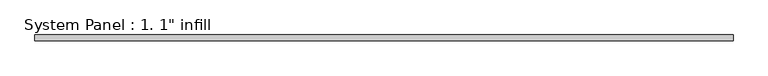
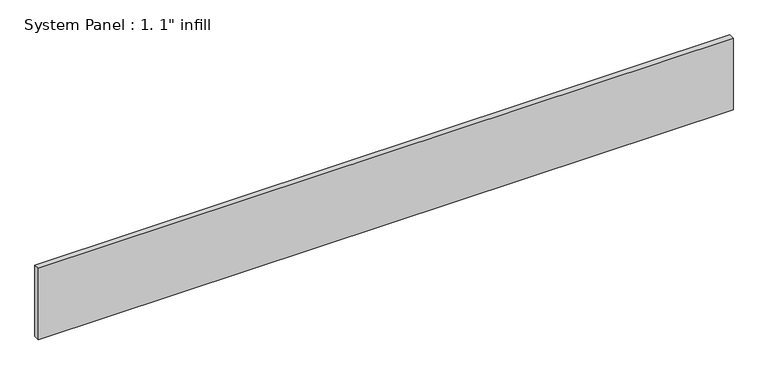
"""IFC4 building model written with IfcOpenShell, lengths in millimetres: plate geometry."""

from ifc_helpers import new_model, si_unit, origin, origin_with_axes, place, context, project, spatial, polyline, outline, extrude, source, transform, mapped, element, save


def plate_ae184c5e(model_context):
    return source(origin(), model_context, "Body", "SweptSolid", [
        extrude(outline(polyline([(1524.0, -12.7), (-1524.0, -12.7), (-1524.0, 12.7), (1524.0, 12.7), (1524.0, -12.7)])), origin_with_axes(), (0.0, 0.0, 1.0), 330.6313469),
    ])


if __name__ == "__main__":
    model = new_model("IFC4")
    model_context = context("Model", 3, world=origin())
    ifc_project = project(units=[si_unit("LENGTHUNIT", "METRE", prefix="MILLI")], contexts=[model_context])
    site = spatial("IfcSite", under=ifc_project)
    building = spatial("IfcBuilding", under=site)
    placement = place(None, origin())
    plate_shape = plate_ae184c5e(model_context)
    element("IfcPlate", 1, ObjectType="System Panel : 1. 1\" infill", at=placement, inside=building, context=model_context, shape_type="MappedRepresentation", body=[
        mapped(plate_shape, transform((0.0, 0.0, 0.0), x_axis=(1.0, 0.0, 0.0), y_axis=(0.0, 1.0, 0.0), z_axis=(0.0, 0.0, 1.0))),
    ])
    save(model, "model.ifc")
